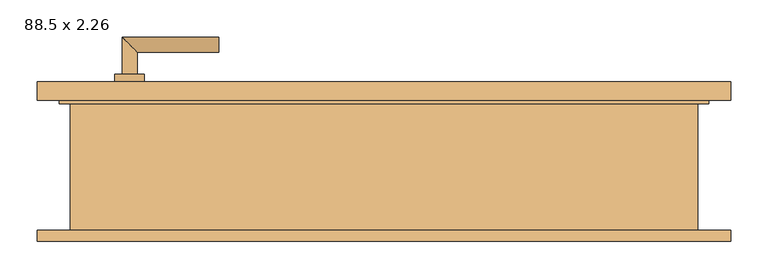
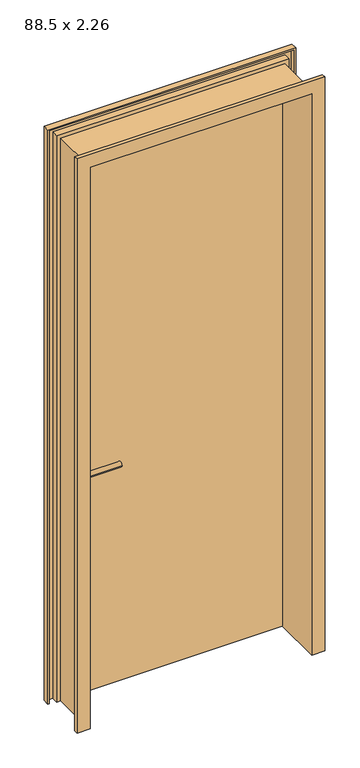
"""IFC4 building model written with IfcOpenShell, lengths in millimetres: door geometry, 88.5 x 2.26."""

from ifc_helpers import new_model, si_unit, point, frame, frame_2d, origin, origin_with_axes, place, context, project, spatial, polyline, circle_curve, ellipse_curve, trimmed, segment, composite_curve, outline, extrude, faceted_brep, source, transform, mapped, element, save
from ifc_brep_helpers import plane_surface, cylinder_surface, advanced_brep


def door_88_5_x_2_26_5299d3b1(model_context):
    return source(origin(), model_context, "Body", "SolidModel", [
        advanced_brep(
        [(-332.5, 91.9346141, 900.0), (-352.5, 91.9346141, 900.0), (-332.5, 61.9346141, 900.0), (-352.5, 41.9346141, 900.0), (-222.5, 61.9346141, 900.0), (-222.5, 41.9346141, 900.0)],
        [
            (0, 1, circle_curve(frame((-342.5, 91.9346141, 900.0), z_axis=(0.0, 1.0, 0.0), x_axis=(-1.0, 0.0, 0.0)), 10.0)),
            (1, 0, circle_curve(frame((-342.5, 91.9346141, 900.0), z_axis=(0.0, 1.0, 0.0), x_axis=(-1.0, 0.0, 0.0)), 10.0)),
            (0, 2),
            (2, 3, ellipse_curve(frame((-342.5, 51.9346141, 900.0), z_axis=(-0.7071067811865686, 0.7071067811865265, 0.0), x_axis=(0.7071067811865264, 0.7071067811865687, 0.0)), 14.1421356, 10.0)),
            (3, 1),
            (3, 2, ellipse_curve(frame((-342.5, 51.9346141, 900.0), z_axis=(-0.7071067811865686, 0.7071067811865265, 0.0), x_axis=(0.7071067811865264, 0.7071067811865687, 0.0)), 14.1421356, 10.0)),
            (4, 5, circle_curve(frame((-222.5, 51.9346141, 900.0), z_axis=(1.0, 0.0, 0.0), x_axis=(0.0, -1.0, 0.0)), 10.0)),
            (5, 4, circle_curve(frame((-222.5, 51.9346141, 900.0), z_axis=(1.0, 0.0, 0.0), x_axis=(0.0, -1.0, 0.0)), 10.0)),
            (2, 4),
            (5, 3),
        ],
        [
            plane_surface(frame((-342.5, 91.9346141, -387.7526403), z_axis=(0.0, 1.0, 0.0), x_axis=(0.0, 0.0, 1.0))),
            cylinder_surface(frame((-342.5, 91.9346141, 900.0), z_axis=(0.0, 1.0, 0.0), x_axis=(-1.0, 0.0, 0.0)), 10.0),
            plane_surface(frame((-222.5, 51.9346141, -387.7526403), z_axis=(1.0, 0.0, 0.0), x_axis=(0.0, 0.0, 1.0))),
            cylinder_surface(frame((-342.5, 51.9346141, 900.0), z_axis=(-1.0, 0.0, 0.0), x_axis=(0.0, -1.0, 0.0)), 10.0),
        ],
        [
            (0, [[1, 2]]),
            (1, [[-1, 3, 4, 5]]),
            (1, [[-2, -5, 6, -3]]),
            (2, [[7, 8]]),
            (3, [[-4, 9, -8, 10]]),
            (3, [[-6, -10, -7, -9]]),
        ],
    ),
        advanced_brep(
        [(-332.5, 136.9346141, 900.0), (-352.5, 136.9346141, 900.0), (-332.5, 166.9346141, 900.0), (-352.5, 186.9346141, 900.0), (-222.5, 166.9346141, 900.0), (-222.5, 186.9346141, 900.0)],
        [
            (0, 1, circle_curve(frame((-342.5, 136.9346141, 900.0), z_axis=(0.0, -1.0, 0.0), x_axis=(-1.0, 0.0, 0.0)), 10.0)),
            (1, 0, circle_curve(frame((-342.5, 136.9346141, 900.0), z_axis=(0.0, -1.0, 0.0), x_axis=(-1.0, 0.0, 0.0)), 10.0)),
            (0, 2),
            (2, 3, ellipse_curve(frame((-342.5, 176.9346141, 900.0), z_axis=(-0.7071067811865486, -0.7071067811865464, 0.0), x_axis=(0.7071067811865464, -0.7071067811865488, 0.0)), 14.1421356, 10.0)),
            (3, 1),
            (3, 2, ellipse_curve(frame((-342.5, 176.9346141, 900.0), z_axis=(-0.7071067811865486, -0.7071067811865464, 0.0), x_axis=(0.7071067811865464, -0.7071067811865488, 0.0)), 14.1421356, 10.0)),
            (4, 5, circle_curve(frame((-222.5, 176.9346141, 900.0), z_axis=(1.0, 0.0, 0.0), x_axis=(0.0, 1.0, 0.0)), 10.0)),
            (5, 4, circle_curve(frame((-222.5, 176.9346141, 900.0), z_axis=(1.0, 0.0, 0.0), x_axis=(0.0, 1.0, 0.0)), 10.0)),
            (2, 4),
            (5, 3),
        ],
        [
            plane_surface(frame((-342.5, 136.9346141, -387.7526403), z_axis=(0.0, -1.0, 0.0), x_axis=(0.0, 0.0, 1.0))),
            cylinder_surface(frame((-342.5, 136.9346141, 900.0), z_axis=(0.0, -1.0, 0.0), x_axis=(-1.0, 0.0, 0.0)), 10.0),
            plane_surface(frame((-222.5, 176.9346141, -387.7526403), z_axis=(1.0, 0.0, 0.0), x_axis=(0.0, 0.0, 1.0))),
            cylinder_surface(frame((-342.5, 176.9346141, 900.0), z_axis=(-1.0, 0.0, 0.0), x_axis=(0.0, 1.0, 0.0)), 10.0),
        ],
        [
            (0, [[1, 2]]),
            (1, [[-1, 3, 4, 5]]),
            (1, [[-2, -5, 6, -3]]),
            (2, [[7, 8]]),
            (3, [[-4, 9, -8, 10]]),
            (3, [[-6, -10, -7, -9]]),
        ],
    ),
        extrude(outline(composite_curve([segment(trimmed(circle_curve(frame_2d((900.0, -342.5)), 20.0), [point((900.0, -322.5))], [point((900.0, -362.5))], False, "CARTESIAN"), True, "CONTINUOUS"), segment(trimmed(circle_curve(frame_2d((900.0, -342.5)), 20.0), [point((900.0, -362.5))], [point((900.0, -322.5))], False, "CARTESIAN"), True, "CONTINUOUS")], self_intersect=False)), frame((0.0, 91.9346141, 0.0), z_axis=(0.0, 1.0, 0.0), x_axis=(0.0, 0.0, 1.0)), (0.0, 0.0, 1.0), 10.0),
        extrude(outline(composite_curve([segment(trimmed(circle_curve(frame_2d((900.0, -342.5)), 20.0), [point((900.0, -322.5))], [point((900.0, -362.5))], False, "CARTESIAN"), True, "CONTINUOUS"), segment(trimmed(circle_curve(frame_2d((900.0, -342.5)), 20.0), [point((900.0, -362.5))], [point((900.0, -322.5))], False, "CARTESIAN"), True, "CONTINUOUS")], self_intersect=False)), frame((0.0, 126.9346141, 0.0), z_axis=(0.0, 1.0, 0.0), x_axis=(0.0, 0.0, 1.0)), (0.0, 0.0, 1.0), 10.0),
        extrude(outline(polyline([(432.5, 101.9346141), (-432.5, 101.9346141), (-432.5, 126.9346141), (432.5, 126.9346141), (432.5, 101.9346141)])), origin_with_axes(), (0.0, 0.0, 1.0), 2250.0),
        faceted_brep([(466.9603207, -88.0653859, 0.0), (417.5, -88.0653859, 0.0), (417.5, 101.9346141, 0.0), (432.5, 101.9346141, 0.0), (432.5, 126.9346141, 0.0), (466.9603207, 126.9346141, 0.0), (466.9603207, 101.9346141, 0.0), (461.9603207, 101.9346141, 0.0), (461.9603207, 121.9346141, 0.0), (437.5, 121.9346141, 0.0), (437.5, 96.9346141, 0.0), (422.5, 96.9346141, 0.0), (422.5, -83.0653859, 0.0), (461.9603207, -83.0653859, 0.0), (461.9603207, -73.0653859, 0.0), (466.9603207, -73.0653859, 0.0), (466.9603207, -88.0653859, 2284.4603207), (-466.9603207, -88.0653859, 2284.4603207), (-466.9603207, -88.0653859, 0.0), (-417.5, -88.0653859, 0.0), (-417.5, -88.0653859, 2235.0), (417.5, -88.0653859, 2235.0), (417.5, 101.9346141, 2235.0), (-417.5, 101.9346141, 2235.0), (-417.5, 101.9346141, 0.0), (-432.5, 101.9346141, 0.0), (-432.5, 101.9346141, 2250.0), (432.5, 101.9346141, 2250.0), (432.5, 126.9346141, 2250.0), (-432.5, 126.9346141, 2250.0), (-432.5, 126.9346141, 0.0), (-466.9603207, 126.9346141, 0.0), (-466.9603207, 126.9346141, 2284.4603207), (466.9603207, 126.9346141, 2284.4603207), (466.9603207, 101.9346141, 2284.4603207), (-466.9603207, 101.9346141, 2284.4603207), (-466.9603207, 101.9346141, 0.0), (-461.9603207, 101.9346141, 0.0), (-461.9603207, 101.9346141, 2279.4603207), (461.9603207, 101.9346141, 2279.4603207), (461.9603207, 121.9346141, 2279.4603207), (-461.9603207, 121.9346141, 2279.4603207), (-461.9603207, 121.9346141, 0.0), (-437.5, 121.9346141, 0.0), (-437.5, 121.9346141, 2255.0), (437.5, 121.9346141, 2255.0), (437.5, 96.9346141, 2255.0), (-437.5, 96.9346141, 2255.0), (-437.5, 96.9346141, 0.0), (-422.5, 96.9346141, 0.0), (-422.5, 96.9346141, 2240.0), (422.5, 96.9346141, 2240.0), (422.5, -83.0653859, 2240.0), (-422.5, -83.0653859, 2240.0), (-422.5, -83.0653859, 0.0), (-461.9603207, -83.0653859, 0.0), (-461.9603207, -83.0653859, 2279.4603207), (461.9603207, -83.0653859, 2279.4603207), (461.9603207, -73.0653859, 2279.4603207), (-461.9603207, -73.0653859, 2279.4603207), (-461.9603207, -73.0653859, 0.0), (-466.9603207, -73.0653859, 0.0), (-466.9603207, -73.0653859, 2284.4603207), (466.9603207, -73.0653859, 2284.4603207)], [[[0, 1, 2, 3, 4, 5, 6, 7, 8, 9, 10, 11, 12, 13, 14, 15]], [[1, 0, 16, 17, 18, 19, 20, 21]], [[2, 1, 21, 22]], [[3, 2, 22, 23, 24, 25, 26, 27]], [[4, 3, 27, 28]], [[5, 4, 28, 29, 30, 31, 32, 33]], [[6, 5, 33, 34]], [[7, 6, 34, 35, 36, 37, 38, 39]], [[8, 7, 39, 40]], [[9, 8, 40, 41, 42, 43, 44, 45]], [[10, 9, 45, 46]], [[11, 10, 46, 47, 48, 49, 50, 51]], [[12, 11, 51, 52]], [[13, 12, 52, 53, 54, 55, 56, 57]], [[14, 13, 57, 58]], [[15, 14, 58, 59, 60, 61, 62, 63]], [[0, 15, 63, 16]], [[22, 21, 20, 23]], [[28, 27, 26, 29]], [[34, 33, 32, 35]], [[40, 39, 38, 41]], [[46, 45, 44, 47]], [[52, 51, 50, 53]], [[58, 57, 56, 59]], [[16, 63, 62, 17]], [[18, 61, 60, 55, 54, 49, 48, 43, 42, 37, 36, 31, 30, 25, 24, 19]], [[23, 20, 19, 24]], [[29, 26, 25, 30]], [[35, 32, 31, 36]], [[41, 38, 37, 42]], [[47, 44, 43, 48]], [[53, 50, 49, 54]], [[59, 56, 55, 60]], [[17, 62, 61, 18]]]),
    ])


if __name__ == "__main__":
    model = new_model("IFC4")
    model_context = context("Model", 3, world=origin())
    ifc_project = project(units=[si_unit("LENGTHUNIT", "METRE", prefix="MILLI")], contexts=[model_context])
    site = spatial("IfcSite", under=ifc_project)
    building = spatial("IfcBuilding", under=site)
    placement = place(None, origin())
    door_88_5_x_2_26_shape = door_88_5_x_2_26_5299d3b1(model_context)
    element("IfcDoor", 1, ObjectType="88.5 x 2.26", at=placement, inside=building, context=model_context, shape_type="MappedRepresentation", body=[
        mapped(door_88_5_x_2_26_shape, transform((0.0, 0.0, 0.0), x_axis=(1.0, 0.0, 0.0), y_axis=(0.0, 1.0, 0.0), z_axis=(0.0, 0.0, 1.0))),
    ])
    save(model, "model.ifc")
